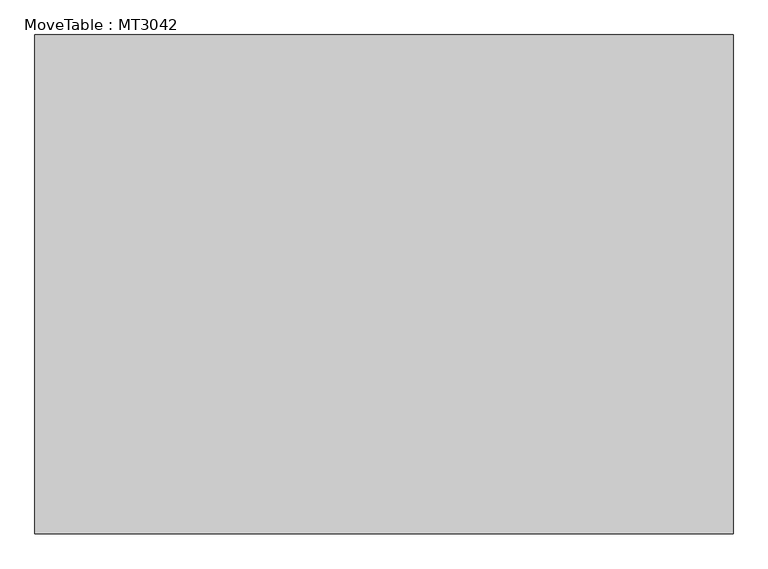
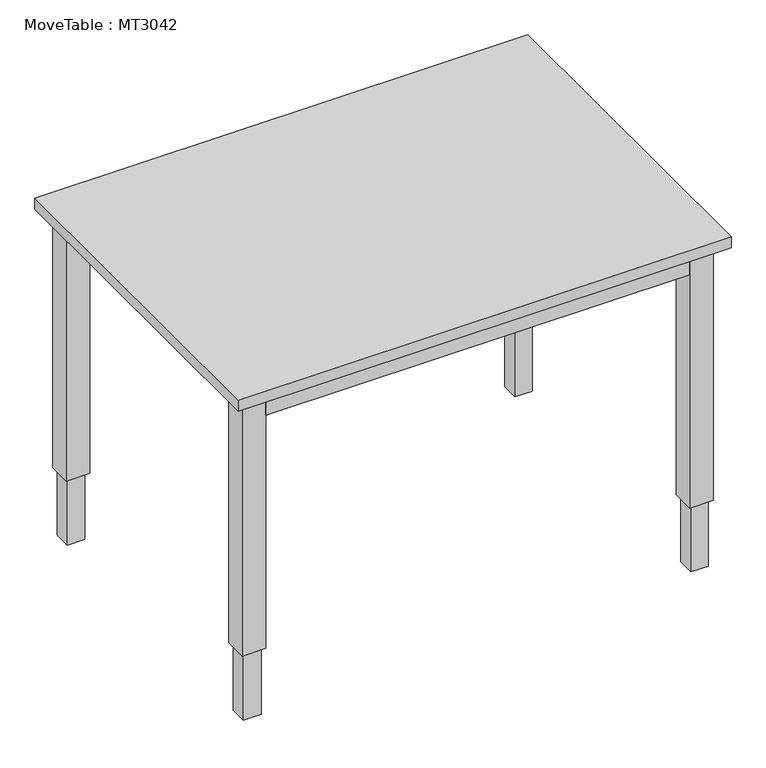
"""IFC4 building model written with IfcOpenShell, lengths in millimetres: furniture geometry, MoveTable : MT3042."""

from ifc_helpers import new_model, si_unit, frame, origin, origin_with_axes, place, context, project, spatial, polyline, outline, extrude, source, transform, mapped, element, save


def movetable_mt3042_b2af36ac(model_context):
    return source(origin(), model_context, "Body", "SweptSolid", [
        extrude(outline(polyline([(-132.1294423, -584.2), (-1049.5951479, -584.2), (-1049.5951479, -565.15), (-132.1294423, -565.15), (-132.1294423, -584.2)])), frame((0.0, 0.0, 685.8), z_axis=(0.0, 0.0, 1.0), x_axis=(1.0, 0.0, 0.0)), (0.0, 0.0, 1.0), 50.8),
        extrude(outline(polyline([(-125.7794423, 120.65), (-87.6794423, 120.65), (-87.6794423, 82.55), (-125.7794423, 82.55), (-125.7794423, 120.65)])), origin_with_axes(), (0.0, 0.0, 1.0), 152.4),
        extrude(outline(polyline([(-132.1294423, 127.0), (-81.3294423, 127.0), (-81.3294423, 76.2), (-132.1294423, 76.2), (-132.1294423, 127.0)])), frame((0.0, 0.0, 152.4), z_axis=(0.0, 0.0, 1.0), x_axis=(1.0, 0.0, 0.0)), (0.0, 0.0, 1.0), 584.2),
        extrude(outline(polyline([(-1055.9451479, 120.65), (-1055.9451479, 82.55), (-1094.0451479, 82.55), (-1094.0451479, 120.65), (-1055.9451479, 120.65)])), origin_with_axes(), (0.0, 0.0, 1.0), 152.4),
        extrude(outline(polyline([(-1049.5951479, 127.0), (-1049.5951479, 76.2), (-1100.3951479, 76.2), (-1100.3951479, 127.0), (-1049.5951479, 127.0)])), frame((0.0, 0.0, 152.4), z_axis=(0.0, 0.0, 1.0), x_axis=(1.0, 0.0, 0.0)), (0.0, 0.0, 1.0), 584.2),
        extrude(outline(polyline([(-125.7794423, -577.85), (-125.7794423, -539.75), (-87.6794423, -539.75), (-87.6794423, -577.85), (-125.7794423, -577.85)])), origin_with_axes(), (0.0, 0.0, 1.0), 152.4),
        extrude(outline(polyline([(-132.1294423, -584.2), (-132.1294423, -533.4), (-81.3294423, -533.4), (-81.3294423, -584.2), (-132.1294423, -584.2)])), frame((0.0, 0.0, 152.4), z_axis=(0.0, 0.0, 1.0), x_axis=(1.0, 0.0, 0.0)), (0.0, 0.0, 1.0), 584.2),
        extrude(outline(polyline([(-1055.9451479, -577.85), (-1094.0451479, -577.85), (-1094.0451479, -539.75), (-1055.9451479, -539.75), (-1055.9451479, -577.85)])), origin_with_axes(), (0.0, 0.0, 1.0), 152.4),
        extrude(outline(polyline([(-1049.5951479, -584.2), (-1100.3951479, -584.2), (-1100.3951479, -533.4), (-1049.5951479, -533.4), (-1049.5951479, -584.2)])), frame((0.0, 0.0, 152.4), z_axis=(0.0, 0.0, 1.0), x_axis=(1.0, 0.0, 0.0)), (0.0, 0.0, 1.0), 584.2),
        extrude(outline(polyline([(-57.0241716, -609.6), (-1123.8241716, -609.6), (-1123.8241716, 152.4), (-57.0241716, 152.4), (-57.0241716, -609.6)])), frame((0.0, 0.0, 736.6), z_axis=(0.0, 0.0, 1.0), x_axis=(1.0, 0.0, 0.0)), (0.0, 0.0, 1.0), 25.4),
    ])


if __name__ == "__main__":
    model = new_model("IFC4")
    model_context = context("Model", 3, world=origin())
    ifc_project = project(units=[si_unit("LENGTHUNIT", "METRE", prefix="MILLI")], contexts=[model_context])
    site = spatial("IfcSite", under=ifc_project)
    building = spatial("IfcBuilding", under=site)
    placement = place(None, origin())
    movetable_mt3042_shape = movetable_mt3042_b2af36ac(model_context)
    element("IfcFurniture", 1, ObjectType="MoveTable : MT3042", at=placement, inside=building, context=model_context, shape_type="MappedRepresentation", body=[
        mapped(movetable_mt3042_shape, transform((0.0, 0.0, 0.0), x_axis=(1.0, 0.0, 0.0), y_axis=(0.0, 1.0, 0.0), z_axis=(0.0, 0.0, 1.0))),
    ])
    save(model, "model.ifc")
